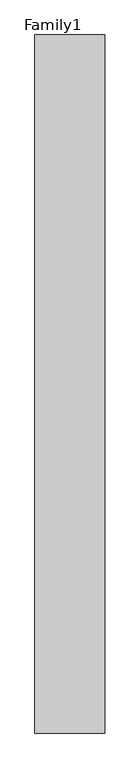
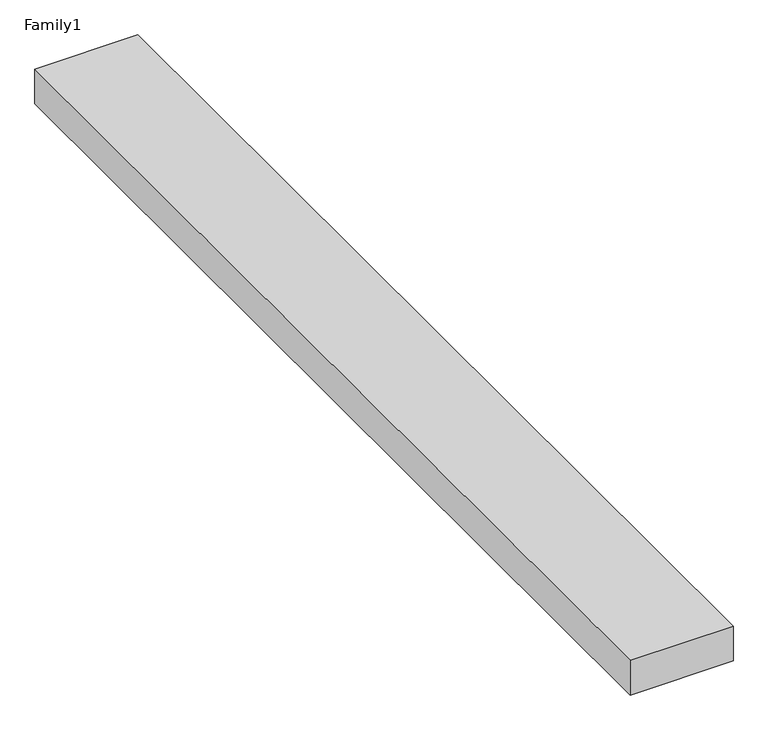
"""IFC4 building model written with IfcOpenShell, lengths in millimetres: proxy geometry, Family1."""

import ifcopenshell
import ifcopenshell.guid

model = None  # the IFC model being written
_history = None  # IfcOwnerHistory: only IFC2X3 demands one
_inside = {}  # id of a spatial element -> (the spatial element, [elements in it])
_under = {}  # id of a project, library or spatial element -> (it, [spatial elements below it])
_declared = {}  # id of a project -> (the project, [libraries it declares])
_typed = {}  # id of a type object -> (the type object, [elements of that type])
_made_of = {}  # id of a material, layer set ... -> (it, [elements and type objects made of it])


def new_model(schema):
    """Start an empty IFC model of exactly this schema.

    Asked for "IFC4X3", IfcOpenShell would pick the latest addendum, in which some entities
    have other attributes; the version numbers below select the first issue.
    IFC2X3 requires an IfcOwnerHistory on every rooted entity: one is made here for all.
    """
    global model, _history
    if schema == "IFC4X3":
        model = ifcopenshell.file(schema_version=(4, 3, 0, 0))
    else:
        model = ifcopenshell.file(schema=schema)
    _inside.clear()
    _under.clear()
    _declared.clear()
    _typed.clear()
    _made_of.clear()
    _history = None
    if model.schema == "IFC2X3":
        org = make("IfcOrganization", Name="unknown")
        user = make(
            "IfcPersonAndOrganization",
            ThePerson=make("IfcPerson", FamilyName="unknown"),
            TheOrganization=org,
        )
        app = make(
            "IfcApplication",
            ApplicationDeveloper=org,
            Version="unknown",
            ApplicationFullName="unknown",
            ApplicationIdentifier="unknown",
        )
        _history = make(
            "IfcOwnerHistory",
            OwningUser=user,
            OwningApplication=app,
            ChangeAction="ADDED",
            CreationDate=0,
        )
    return model


def make(cls, **values):
    """One entity of the class cls with the attributes given. An attribute that is None is left unset."""
    return model.create_entity(
        cls, **{name: value for name, value in values.items() if value is not None}
    )


def rooted(cls, **values):
    """An entity with a GlobalId (a new one), such as an element, a storey or a relation."""
    return make(cls, GlobalId=ifcopenshell.guid.new(), OwnerHistory=_history, **values)


def si_unit(unit_type, name, prefix=None):
    """IfcSIUnit, for example si_unit("LENGTHUNIT", "METRE", prefix="MILLI")."""
    return make("IfcSIUnit", UnitType=unit_type, Prefix=prefix, Name=name)


def assignment(units):
    """IfcUnitAssignment: the units of a project."""
    return None if units is None else make("IfcUnitAssignment", Units=units)


def point(xyz):
    """IfcCartesianPoint."""
    return None if xyz is None else make("IfcCartesianPoint", Coordinates=xyz)


def direction(xyz):
    """IfcDirection."""
    return None if xyz is None else make("IfcDirection", DirectionRatios=xyz)


def frame(location, z_axis=None, x_axis=None):
    """IfcAxis2Placement3D, a coordinate frame: its origin and axes. An axis left out is left unset."""
    return make(
        "IfcAxis2Placement3D",
        Location=point(location),
        Axis=direction(z_axis),
        RefDirection=direction(x_axis),
    )


def origin():
    """The frame at (0, 0, 0) with its axes left unset."""
    return frame((0.0, 0.0, 0.0))


def origin_with_axes():
    """The frame at (0, 0, 0) with the z axis (0, 0, 1) and the x axis (1, 0, 0) written out."""
    return frame((0.0, 0.0, 0.0), z_axis=(0.0, 0.0, 1.0), x_axis=(1.0, 0.0, 0.0))


def place(relative_to, where):
    """IfcLocalPlacement: puts the frame where relative to a parent placement (None: the world)."""
    return make(
        "IfcLocalPlacement", PlacementRelTo=relative_to, RelativePlacement=where
    )


def context(
    kind, dimensions, precision=None, world=None, true_north=None, identifier=None
):
    """IfcGeometricRepresentationContext, for example the 3D "Model" context."""
    return make(
        "IfcGeometricRepresentationContext",
        ContextIdentifier=identifier,
        ContextType=kind,
        CoordinateSpaceDimension=dimensions,
        Precision=precision,
        WorldCoordinateSystem=world,
        TrueNorth=true_north,
    )


def project(units=None, contexts=None):
    """IfcProject with its units and contexts."""
    return rooted(
        "IfcProject",
        Name="project",
        RepresentationContexts=contexts,
        UnitsInContext=assignment(units),
    )


def spatial(cls, under=None, at=None, **own):
    """A site, building, storey or space (cls), placed at a placement, below another one or the project."""
    s = rooted(cls, ObjectPlacement=at, **own)
    if under is not None:
        _under.setdefault(under.id(), (under, []))[1].append(s)
    return s


def polyline(points):
    """IfcPolyline through the points."""
    return make("IfcPolyline", Points=[point(p) for p in points])


def outline(outer, holes=None, kind="AREA"):
    """IfcArbitraryClosedProfileDef: a profile drawn as a closed curve; with holes, ...WithVoids."""
    if holes is None:
        return make("IfcArbitraryClosedProfileDef", ProfileType=kind, OuterCurve=outer)
    return make(
        "IfcArbitraryProfileDefWithVoids",
        ProfileType=kind,
        OuterCurve=outer,
        InnerCurves=holes,
    )


def extrude(swept, where, along, depth):
    """IfcExtrudedAreaSolid: the profile swept, set in the frame where, extruded along a direction by depth."""
    return make(
        "IfcExtrudedAreaSolid",
        SweptArea=swept,
        Position=where,
        ExtrudedDirection=direction(along),
        Depth=depth,
    )


def shape(context_of_items, identifier, shape_type, items):
    """IfcShapeRepresentation: the items that make up one representation, for example the "Body"."""
    return make(
        "IfcShapeRepresentation",
        ContextOfItems=context_of_items,
        RepresentationIdentifier=identifier,
        RepresentationType=shape_type,
        Items=items,
    )


def source(mapping_origin, context_of_items, identifier, shape_type, items):
    """IfcRepresentationMap: a shape defined once, which mapped items show again and again."""
    return make(
        "IfcRepresentationMap",
        MappingOrigin=mapping_origin,
        MappedRepresentation=shape(context_of_items, identifier, shape_type, items),
    )


def transform(
    local_origin,
    x_axis=None,
    y_axis=None,
    z_axis=None,
    scale=None,
    scale2=None,
    scale3=None,
    uniform=True,
):
    """IfcCartesianTransformationOperator3D, or its non-uniform kind. x_axis, y_axis, z_axis: its Axis1, 2, 3."""
    if uniform:
        return make(
            "IfcCartesianTransformationOperator3D",
            Axis1=direction(x_axis),
            Axis2=direction(y_axis),
            LocalOrigin=point(local_origin),
            Scale=scale,
            Axis3=direction(z_axis),
        )
    return make(
        "IfcCartesianTransformationOperator3DnonUniform",
        Axis1=direction(x_axis),
        Axis2=direction(y_axis),
        LocalOrigin=point(local_origin),
        Scale=scale,
        Axis3=direction(z_axis),
        Scale2=scale2,
        Scale3=scale3,
    )


def mapped(mapping_source, mapping_target):
    """IfcMappedItem: shows the shape of a source again, moved by a transform."""
    return make(
        "IfcMappedItem", MappingSource=mapping_source, MappingTarget=mapping_target
    )


def made_of(thing, what):
    """Note that an element or type object is made of a material, layer set ...; save() writes the relation."""
    if what is not None:
        _made_of.setdefault(what.id(), (what, []))[1].append(thing)
    return thing


def element(
    cls,
    number,
    at=None,
    inside=None,
    cuts=None,
    type_object=None,
    material=None,
    context=None,
    identifier="Body",
    shape_type=None,
    held_by="IfcProductDefinitionShape",
    body=None,
    shapes=None,
    **own,
):
    """One element of the class cls, such as IfcWall. Its Tag is "e" and its number.

    at: its placement. inside: the storey or other place that contains it. cuts: it is an
    opening in that element (IfcRelVoidsElement). A single representation is given by context,
    identifier, shape_type and body (its items); several are given by shapes. held_by: the class
    of the entity that holds the representations. save() writes the other relations.
    """
    e = rooted(cls, Tag="e%d" % number, ObjectPlacement=at, **own)
    if body is not None:
        shapes = [shape(context, identifier, shape_type, body)]
    if shapes is not None:
        e.Representation = make(held_by, Representations=shapes)
    if inside is not None:
        _inside.setdefault(inside.id(), (inside, []))[1].append(e)
    if cuts is not None:
        rooted(
            "IfcRelVoidsElement", RelatingBuildingElement=cuts, RelatedOpeningElement=e
        )
    if type_object is not None:
        _typed.setdefault(type_object.id(), (type_object, []))[1].append(e)
    return made_of(e, material)


def aggregate(whole, parts):
    """IfcRelAggregates: a whole, such as a stair, and the parts it consists of."""
    return rooted("IfcRelAggregates", RelatingObject=whole, RelatedObjects=parts)


def save(model, path):
    """Write the relations noted so far, then the file.

    IfcRelAggregates (storeys below a building ...), IfcRelContainedInSpatialStructure (elements
    in a storey), IfcRelDefinesByType, IfcRelAssociatesMaterial and IfcRelDeclares: one each for
    every whole, place, type object, material and project.
    """
    for whole, parts in _under.values():
        aggregate(whole, parts)
    for where, things in _inside.values():
        rooted(
            "IfcRelContainedInSpatialStructure",
            RelatedElements=things,
            RelatingStructure=where,
        )
    for kind, things in _typed.values():
        rooted("IfcRelDefinesByType", RelatedObjects=things, RelatingType=kind)
    for what, things in _made_of.values():
        rooted("IfcRelAssociatesMaterial", RelatedObjects=things, RelatingMaterial=what)
    for by, libraries in _declared.values():
        rooted("IfcRelDeclares", RelatingContext=by, RelatedDefinitions=libraries)
    model.write(path)


def family1_5b284965(model_context):
    return source(origin(), model_context, "Body", "SweptSolid", [
        extrude(outline(polyline([(5000.0, 0.0), (0.0, 0.0), (0.0, 50000.0), (5000.0, 50000.0), (5000.0, 0.0)])), origin_with_axes(), (0.0, 0.0, 1.0), 1785.0),
    ])


if __name__ == "__main__":
    model = new_model("IFC4")
    model_context = context("Model", 3, world=origin())
    ifc_project = project(units=[si_unit("LENGTHUNIT", "METRE", prefix="MILLI")], contexts=[model_context])
    site = spatial("IfcSite", under=ifc_project)
    building = spatial("IfcBuilding", under=site)
    placement = place(None, origin())
    family1_shape = family1_5b284965(model_context)
    element("IfcBuildingElementProxy", 1, Name="Family1", ObjectType="Family1", at=placement, inside=building, context=model_context, shape_type="MappedRepresentation", body=[
        mapped(family1_shape, transform((0.0, 0.0, 0.0), x_axis=(1.0, 0.0, 0.0), y_axis=(0.0, 1.0, 0.0), z_axis=(0.0, 0.0, 1.0))),
    ])
    save(model, "model.ifc")
